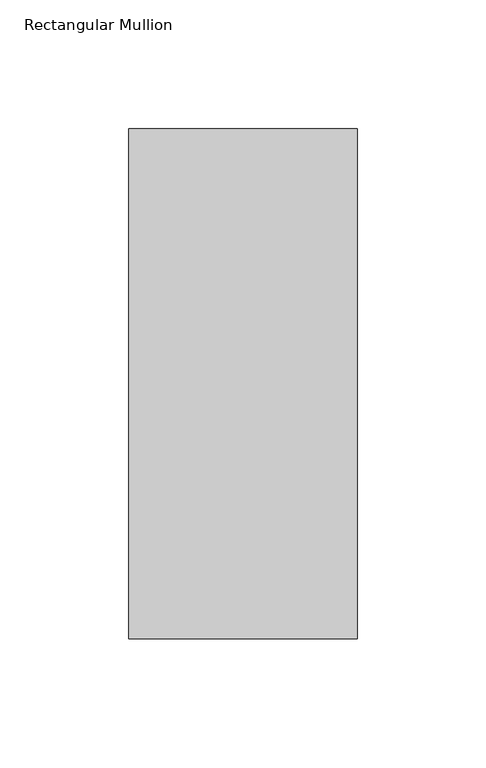
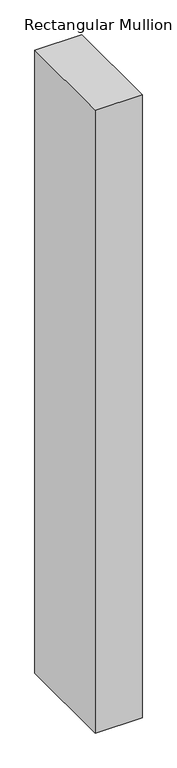
"""IFC4 building model written with IfcOpenShell, lengths in millimetres: member geometry, Rectangular Mullion."""

from ifc_helpers import new_model, si_unit, frame, origin, place, context, project, spatial, polyline, outline, extrude, source, transform, mapped, element, save


def rectangular_mullion_3e8ea60b(model_context):
    return source(origin(), model_context, "Body", "SweptSolid", [
        extrude(outline(polyline([(-88.9, 42.06875), (0.0, 42.06875), (0.0, -156.36875), (-88.9, -156.36875), (-88.9, 42.06875)])), frame((0.0, 0.0, -1250.15625), z_axis=(0.0, 0.0, 1.0), x_axis=(1.0, 0.0, 0.0)), (0.0, 0.0, 1.0), 1250.15625),
    ])


if __name__ == "__main__":
    model = new_model("IFC4")
    model_context = context("Model", 3, world=origin())
    ifc_project = project(units=[si_unit("LENGTHUNIT", "METRE", prefix="MILLI")], contexts=[model_context])
    site = spatial("IfcSite", under=ifc_project)
    building = spatial("IfcBuilding", under=site)
    placement = place(None, origin())
    rectangular_mullion_shape = rectangular_mullion_3e8ea60b(model_context)
    element("IfcMember", 1, ObjectType="Rectangular Mullion", at=placement, inside=building, context=model_context, shape_type="MappedRepresentation", body=[
        mapped(rectangular_mullion_shape, transform((0.0, 0.0, 0.0), x_axis=(1.0, 0.0, 0.0), y_axis=(0.0, 1.0, 0.0), z_axis=(0.0, 0.0, 1.0))),
    ])
    save(model, "model.ifc")
